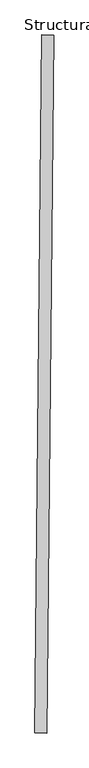
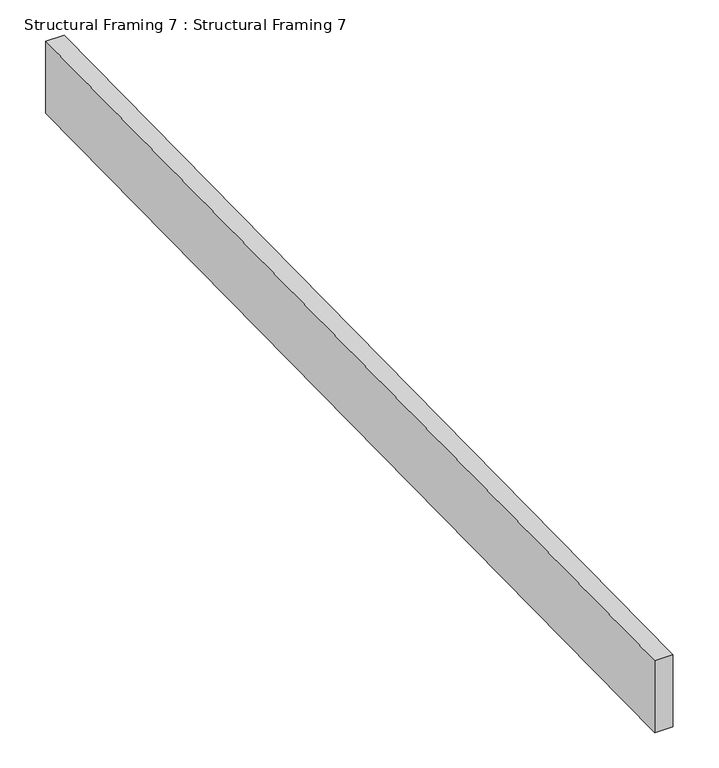
"""IFC4 building model written with IfcOpenShell, lengths in millimetres: beam geometry, Structural Framing 7 : Structural Framing 7."""

import ifcopenshell
import ifcopenshell.guid

model = None  # the IFC model being written
_history = None  # IfcOwnerHistory: only IFC2X3 demands one
_inside = {}  # id of a spatial element -> (the spatial element, [elements in it])
_under = {}  # id of a project, library or spatial element -> (it, [spatial elements below it])
_declared = {}  # id of a project -> (the project, [libraries it declares])
_typed = {}  # id of a type object -> (the type object, [elements of that type])
_made_of = {}  # id of a material, layer set ... -> (it, [elements and type objects made of it])


def new_model(schema):
    """Start an empty IFC model of exactly this schema.

    Asked for "IFC4X3", IfcOpenShell would pick the latest addendum, in which some entities
    have other attributes; the version numbers below select the first issue.
    IFC2X3 requires an IfcOwnerHistory on every rooted entity: one is made here for all.
    """
    global model, _history
    if schema == "IFC4X3":
        model = ifcopenshell.file(schema_version=(4, 3, 0, 0))
    else:
        model = ifcopenshell.file(schema=schema)
    _inside.clear()
    _under.clear()
    _declared.clear()
    _typed.clear()
    _made_of.clear()
    _history = None
    if model.schema == "IFC2X3":
        org = make("IfcOrganization", Name="unknown")
        user = make(
            "IfcPersonAndOrganization",
            ThePerson=make("IfcPerson", FamilyName="unknown"),
            TheOrganization=org,
        )
        app = make(
            "IfcApplication",
            ApplicationDeveloper=org,
            Version="unknown",
            ApplicationFullName="unknown",
            ApplicationIdentifier="unknown",
        )
        _history = make(
            "IfcOwnerHistory",
            OwningUser=user,
            OwningApplication=app,
            ChangeAction="ADDED",
            CreationDate=0,
        )
    return model


def make(cls, **values):
    """One entity of the class cls with the attributes given. An attribute that is None is left unset."""
    return model.create_entity(
        cls, **{name: value for name, value in values.items() if value is not None}
    )


def rooted(cls, **values):
    """An entity with a GlobalId (a new one), such as an element, a storey or a relation."""
    return make(cls, GlobalId=ifcopenshell.guid.new(), OwnerHistory=_history, **values)


def si_unit(unit_type, name, prefix=None):
    """IfcSIUnit, for example si_unit("LENGTHUNIT", "METRE", prefix="MILLI")."""
    return make("IfcSIUnit", UnitType=unit_type, Prefix=prefix, Name=name)


def assignment(units):
    """IfcUnitAssignment: the units of a project."""
    return None if units is None else make("IfcUnitAssignment", Units=units)


def point(xyz):
    """IfcCartesianPoint."""
    return None if xyz is None else make("IfcCartesianPoint", Coordinates=xyz)


def direction(xyz):
    """IfcDirection."""
    return None if xyz is None else make("IfcDirection", DirectionRatios=xyz)


def frame(location, z_axis=None, x_axis=None):
    """IfcAxis2Placement3D, a coordinate frame: its origin and axes. An axis left out is left unset."""
    return make(
        "IfcAxis2Placement3D",
        Location=point(location),
        Axis=direction(z_axis),
        RefDirection=direction(x_axis),
    )


def origin():
    """The frame at (0, 0, 0) with its axes left unset."""
    return frame((0.0, 0.0, 0.0))


def place(relative_to, where):
    """IfcLocalPlacement: puts the frame where relative to a parent placement (None: the world)."""
    return make(
        "IfcLocalPlacement", PlacementRelTo=relative_to, RelativePlacement=where
    )


def context(
    kind, dimensions, precision=None, world=None, true_north=None, identifier=None
):
    """IfcGeometricRepresentationContext, for example the 3D "Model" context."""
    return make(
        "IfcGeometricRepresentationContext",
        ContextIdentifier=identifier,
        ContextType=kind,
        CoordinateSpaceDimension=dimensions,
        Precision=precision,
        WorldCoordinateSystem=world,
        TrueNorth=true_north,
    )


def project(units=None, contexts=None):
    """IfcProject with its units and contexts."""
    return rooted(
        "IfcProject",
        Name="project",
        RepresentationContexts=contexts,
        UnitsInContext=assignment(units),
    )


def spatial(cls, under=None, at=None, **own):
    """A site, building, storey or space (cls), placed at a placement, below another one or the project."""
    s = rooted(cls, ObjectPlacement=at, **own)
    if under is not None:
        _under.setdefault(under.id(), (under, []))[1].append(s)
    return s


def polyline(points):
    """IfcPolyline through the points."""
    return make("IfcPolyline", Points=[point(p) for p in points])


def outline(outer, holes=None, kind="AREA"):
    """IfcArbitraryClosedProfileDef: a profile drawn as a closed curve; with holes, ...WithVoids."""
    if holes is None:
        return make("IfcArbitraryClosedProfileDef", ProfileType=kind, OuterCurve=outer)
    return make(
        "IfcArbitraryProfileDefWithVoids",
        ProfileType=kind,
        OuterCurve=outer,
        InnerCurves=holes,
    )


def extrude(swept, where, along, depth):
    """IfcExtrudedAreaSolid: the profile swept, set in the frame where, extruded along a direction by depth."""
    return make(
        "IfcExtrudedAreaSolid",
        SweptArea=swept,
        Position=where,
        ExtrudedDirection=direction(along),
        Depth=depth,
    )


def shape(context_of_items, identifier, shape_type, items):
    """IfcShapeRepresentation: the items that make up one representation, for example the "Body"."""
    return make(
        "IfcShapeRepresentation",
        ContextOfItems=context_of_items,
        RepresentationIdentifier=identifier,
        RepresentationType=shape_type,
        Items=items,
    )


def source(mapping_origin, context_of_items, identifier, shape_type, items):
    """IfcRepresentationMap: a shape defined once, which mapped items show again and again."""
    return make(
        "IfcRepresentationMap",
        MappingOrigin=mapping_origin,
        MappedRepresentation=shape(context_of_items, identifier, shape_type, items),
    )


def transform(
    local_origin,
    x_axis=None,
    y_axis=None,
    z_axis=None,
    scale=None,
    scale2=None,
    scale3=None,
    uniform=True,
):
    """IfcCartesianTransformationOperator3D, or its non-uniform kind. x_axis, y_axis, z_axis: its Axis1, 2, 3."""
    if uniform:
        return make(
            "IfcCartesianTransformationOperator3D",
            Axis1=direction(x_axis),
            Axis2=direction(y_axis),
            LocalOrigin=point(local_origin),
            Scale=scale,
            Axis3=direction(z_axis),
        )
    return make(
        "IfcCartesianTransformationOperator3DnonUniform",
        Axis1=direction(x_axis),
        Axis2=direction(y_axis),
        LocalOrigin=point(local_origin),
        Scale=scale,
        Axis3=direction(z_axis),
        Scale2=scale2,
        Scale3=scale3,
    )


def mapped(mapping_source, mapping_target):
    """IfcMappedItem: shows the shape of a source again, moved by a transform."""
    return make(
        "IfcMappedItem", MappingSource=mapping_source, MappingTarget=mapping_target
    )


def made_of(thing, what):
    """Note that an element or type object is made of a material, layer set ...; save() writes the relation."""
    if what is not None:
        _made_of.setdefault(what.id(), (what, []))[1].append(thing)
    return thing


def element(
    cls,
    number,
    at=None,
    inside=None,
    cuts=None,
    type_object=None,
    material=None,
    context=None,
    identifier="Body",
    shape_type=None,
    held_by="IfcProductDefinitionShape",
    body=None,
    shapes=None,
    **own,
):
    """One element of the class cls, such as IfcWall. Its Tag is "e" and its number.

    at: its placement. inside: the storey or other place that contains it. cuts: it is an
    opening in that element (IfcRelVoidsElement). A single representation is given by context,
    identifier, shape_type and body (its items); several are given by shapes. held_by: the class
    of the entity that holds the representations. save() writes the other relations.
    """
    e = rooted(cls, Tag="e%d" % number, ObjectPlacement=at, **own)
    if body is not None:
        shapes = [shape(context, identifier, shape_type, body)]
    if shapes is not None:
        e.Representation = make(held_by, Representations=shapes)
    if inside is not None:
        _inside.setdefault(inside.id(), (inside, []))[1].append(e)
    if cuts is not None:
        rooted(
            "IfcRelVoidsElement", RelatingBuildingElement=cuts, RelatedOpeningElement=e
        )
    if type_object is not None:
        _typed.setdefault(type_object.id(), (type_object, []))[1].append(e)
    return made_of(e, material)


def aggregate(whole, parts):
    """IfcRelAggregates: a whole, such as a stair, and the parts it consists of."""
    return rooted("IfcRelAggregates", RelatingObject=whole, RelatedObjects=parts)


def save(model, path):
    """Write the relations noted so far, then the file.

    IfcRelAggregates (storeys below a building ...), IfcRelContainedInSpatialStructure (elements
    in a storey), IfcRelDefinesByType, IfcRelAssociatesMaterial and IfcRelDeclares: one each for
    every whole, place, type object, material and project.
    """
    for whole, parts in _under.values():
        aggregate(whole, parts)
    for where, things in _inside.values():
        rooted(
            "IfcRelContainedInSpatialStructure",
            RelatedElements=things,
            RelatingStructure=where,
        )
    for kind, things in _typed.values():
        rooted("IfcRelDefinesByType", RelatedObjects=things, RelatingType=kind)
    for what, things in _made_of.values():
        rooted("IfcRelAssociatesMaterial", RelatedObjects=things, RelatingMaterial=what)
    for by, libraries in _declared.values():
        rooted("IfcRelDeclares", RelatingContext=by, RelatedDefinitions=libraries)
    model.write(path)


def structural_framing_7_structural_framing_7_63df5031(model_context):
    return source(origin(), model_context, "Body", "SweptSolid", [
        extrude(outline(polyline([(-40841.8280126, 31221.9883269), (-40824.0111842, 32985.9720246), (-40794.3794921, 32985.6727345), (-40812.1963205, 31221.6890369), (-40841.8280126, 31221.9883269)])), frame((0.0, 0.0, 110743.3611357), z_axis=(0.0, 0.0, 1.0), x_axis=(1.0, 0.0, 0.0)), (0.0, 0.0, 1.0), 125.1757224),
    ])


if __name__ == "__main__":
    model = new_model("IFC4")
    model_context = context("Model", 3, world=origin())
    ifc_project = project(units=[si_unit("LENGTHUNIT", "METRE", prefix="MILLI")], contexts=[model_context])
    site = spatial("IfcSite", under=ifc_project)
    building = spatial("IfcBuilding", under=site)
    placement = place(None, origin())
    structural_framing_7_structural_framing_7_shape = structural_framing_7_structural_framing_7_63df5031(model_context)
    element("IfcBeam", 1, ObjectType="Structural Framing 7 : Structural Framing 7", at=placement, inside=building, context=model_context, shape_type="MappedRepresentation", body=[
        mapped(structural_framing_7_structural_framing_7_shape, transform((0.0, 0.0, 0.0), x_axis=(1.0, 0.0, 0.0), y_axis=(0.0, 1.0, 0.0), z_axis=(0.0, 0.0, 1.0))),
    ])
    save(model, "model.ifc")
